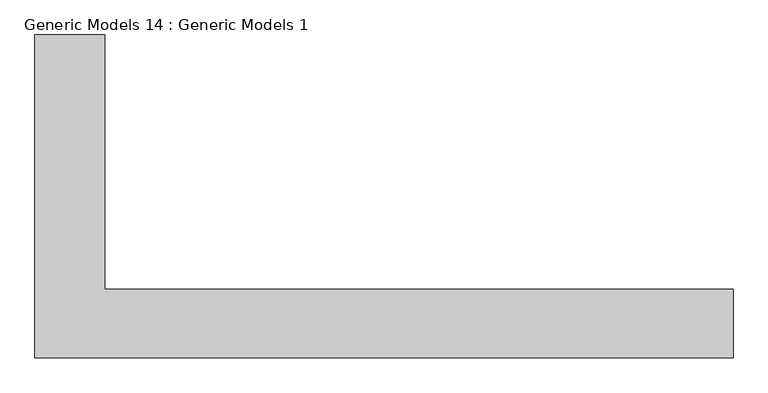
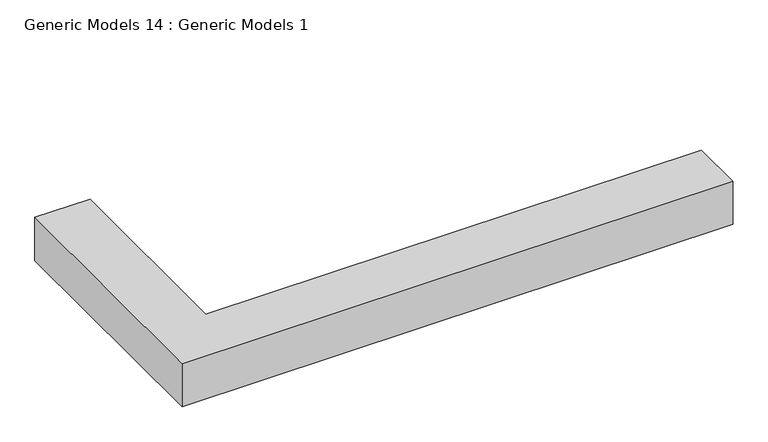
"""IFC4 building model written with IfcOpenShell, lengths in millimetres: proxy geometry, Generic Models 14 : Generic Models 1."""

from ifc_helpers import new_model, si_unit, origin, origin_with_axes, place, context, project, spatial, polyline, outline, extrude, source, transform, mapped, element, save


def generic_models_14_generic_models_1_401aa4c2(model_context):
    return source(origin(), model_context, "Body", "SweptSolid", [
        extrude(outline(polyline([(464738.8254676, -353444.2757335), (459833.4504676, -353444.2757335), (459833.4504676, -351174.8580223), (460324.307299, -351174.8580223), (460324.307299, -352961.6757335), (464738.8254676, -352961.6757335), (464738.8254676, -353444.2757335)])), origin_with_axes(), (0.0, 0.0, 1.0), 406.4),
    ])


if __name__ == "__main__":
    model = new_model("IFC4")
    model_context = context("Model", 3, world=origin())
    ifc_project = project(units=[si_unit("LENGTHUNIT", "METRE", prefix="MILLI")], contexts=[model_context])
    site = spatial("IfcSite", under=ifc_project)
    building = spatial("IfcBuilding", under=site)
    placement = place(None, origin())
    generic_models_14_generic_models_1_shape = generic_models_14_generic_models_1_401aa4c2(model_context)
    element("IfcBuildingElementProxy", 1, Name="Generic Models 14 : Generic Models 1", ObjectType="Generic Models 14 : Generic Models 1", at=placement, inside=building, context=model_context, shape_type="MappedRepresentation", body=[
        mapped(generic_models_14_generic_models_1_shape, transform((0.0, 0.0, 0.0), x_axis=(1.0, 0.0, 0.0), y_axis=(0.0, 1.0, 0.0), z_axis=(0.0, 0.0, 1.0))),
    ])
    save(model, "model.ifc")
